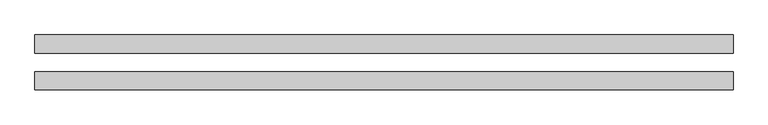
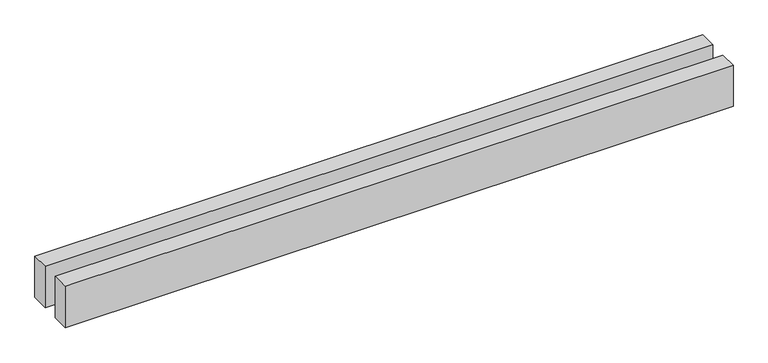
"""IFC4 building model written with IfcOpenShell, lengths in millimetres: proxy geometry."""

from ifc_helpers import new_model, si_unit, origin, origin_with_axes, place, context, project, spatial, polyline, outline, extrude, source, transform, mapped, element, save


def generic_models_168deaae(model_context):
    return source(origin(), model_context, "Body", "SweptSolid", [
        extrude(outline(polyline([(7623.4788764, 300.0), (7623.4788764, 100.0), (0.0, 100.0), (0.0, 300.0), (7623.4788764, 300.0)])), origin_with_axes(), (0.0, 0.0, 1.0), 500.0),
        extrude(outline(polyline([(7623.4788764, -100.0), (7623.4788764, -300.0), (0.0, -300.0), (0.0, -100.0), (7623.4788764, -100.0)])), origin_with_axes(), (0.0, 0.0, 1.0), 500.0),
    ])


if __name__ == "__main__":
    model = new_model("IFC4")
    model_context = context("Model", 3, world=origin())
    ifc_project = project(units=[si_unit("LENGTHUNIT", "METRE", prefix="MILLI")], contexts=[model_context])
    site = spatial("IfcSite", under=ifc_project)
    building = spatial("IfcBuilding", under=site)
    placement = place(None, origin())
    generic_models_shape = generic_models_168deaae(model_context)
    element("IfcBuildingElementProxy", 1, Name="Generic Models", at=placement, inside=building, context=model_context, shape_type="MappedRepresentation", body=[
        mapped(generic_models_shape, transform((0.0, 0.0, 0.0), x_axis=(1.0, 0.0, 0.0), y_axis=(0.0, 1.0, 0.0), z_axis=(0.0, 0.0, 1.0))),
    ])
    save(model, "model.ifc")
